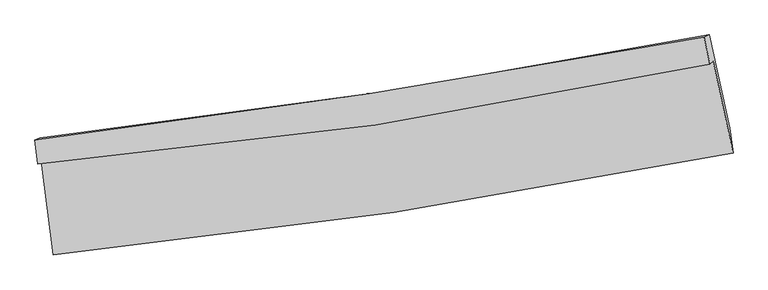
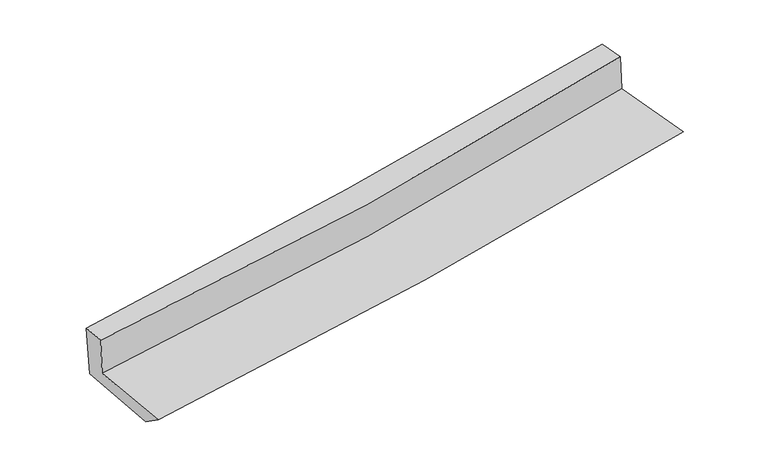
"""IFC4 building model written with IfcOpenShell, lengths in millimetres: proxy geometry."""

from ifc_helpers import new_model, si_unit, frame, origin, place, context, project, spatial, source, transform, mapped, element, save
from ifc_brep_helpers import plane_surface, spline_curve, spline_surface, advanced_brep


def generic_models_a4bd28aa(model_context):
    return source(origin(), model_context, "Body", "AdvancedBrep", [
        advanced_brep(
        [(-2286.9364312, -1836.5007094, 1714.2428713), (-2207.0798275, -2469.3803649, 1677.6699317), (2368.7568886, -1782.861718, 2085.6770277), (2235.1945439, -1164.0357379, 2117.1875215), (-2309.7974245, -1856.6294657, 2012.6459852), (2213.0957014, -1183.493432, 2405.6423289), (-2330.4900053, -1692.6365986, 2022.1228283), (2173.8806966, -1001.8010259, 2414.8940695), (-2297.685233, -1682.1263036, 1620.2046267), (2207.2409265, -985.240153, 2009.2281276), (-2216.6389041, -2315.5105327, 1570.3222901), (2345.097108, -1613.9778684, 1953.4993326)],
        [
            (0, 1),
            (1, 2, spline_curve(3, [(-2207.0798275, -2469.3803649, 1677.6699317), (-1440.518524947, -2393.103956401, 1747.047543834), (-676.719912082, -2297.91717123, 1815.666538913), (848.582498008, -2069.238510521, 1951.675358415), (1610.062790659, -1935.585746642, 2019.058728746), (2368.7568886, -1782.861718, 2085.6770277)], [4, 2, 4], [0.0, 7.56191285458519, 15.155925697698915])),
            (2, 3),
            (3, 0, spline_curve(3, [(2235.1945439, -1164.0357379, 2117.1875215), (1487.221997809, -1325.550173835, 2050.797656528), (735.585583815, -1462.412726668, 1983.951920464), (-771.82231675, -1686.35974981, 1849.633191282), (-1527.562894438, -1773.652187679, 1782.164043894), (-2286.9364312, -1836.5007094, 1714.2428713)], [4, 2, 4], [0.0, 7.594012843113726, 15.155925697698915])),
            (4, 0),
            (3, 5),
            (5, 4, spline_curve(3, [(2213.0957014, -1183.493432, 2405.6423289), (1465.505579525, -1344.671149501, 2334.260707317), (713.996190401, -1481.421858341, 2265.756920106), (-793.667915099, -1705.594466352, 2134.782416827), (-1549.789568154, -1793.222435076, 2072.287422681), (-2309.7974245, -1856.6294657, 2012.6459852)], [4, 2, 4], [0.0, 7.549443536623486, 15.066975479741807])),
            (6, 4),
            (5, 7),
            (7, 6, spline_curve(3, [(2173.8806966, -1001.8010259, 2414.8940695), (1425.17534731, -1139.639052546, 2345.001385955), (674.659606466, -1266.225848819, 2277.259329133), (-826.812566969, -1496.409455882, 2146.353725072), (-1577.753726471, -1600.101183813, 2083.172034719), (-2330.4900053, -1692.6365986, 2022.1228283)], [4, 2, 4], [0.0, 7.534417192617439, 15.036986308276258])),
            (8, 6),
            (7, 9),
            (9, 8, spline_curve(3, [(2207.2409265, -985.240153, 2009.2281276), (1460.029702788, -1132.527312143, 1938.816913253), (710.212957937, -1264.335021242, 1871.129776376), (-791.451075882, -1496.499817734, 1741.4782569), (-1543.276384165, -1596.987492271, 1679.490893494), (-2297.685233, -1682.1263036, 1620.2046267)], [4, 2, 4], [0.0, 7.5214226362924075, 15.011052123780464])),
            (10, 8),
            (9, 11),
            (11, 10, spline_curve(3, [(2345.097108, -1613.9778684, 1953.4993326), (1590.171946735, -1770.333450461, 1879.513248594), (831.752172886, -1907.054618584, 1810.53173323), (-688.855978917, -2140.733201219, 1682.848271733), (-1451.014875663, -2237.856254207, 1624.104106083), (-2216.6389041, -2315.5105327, 1570.3222901)], [4, 2, 4], [0.0, 7.569611887909449, 15.10722693043725])),
            (1, 10),
            (11, 2),
        ],
        [
            spline_surface(3, 3, [[(-2286.9364312, -1836.5007094, 1714.2428713), (-1527.562894432, -1773.65218762, 1782.164043836), (-771.822316812, -1686.359749907, 1849.633191271), (735.585583877, -1462.41272657, 1983.951920475), (1487.221997918, -1325.550173804, 2050.79765643), (2235.1945439, -1164.0357379, 2117.1875215)], [(-2260.317563307, -2047.460594569, 1702.051891441), (-1498.548104589, -1980.136110543, 1770.45854386), (-740.121515225, -1890.212223714, 1838.310973804), (773.251221954, -1664.687987899, 1973.193066476), (1528.168928808, -1528.895364762, 2040.2180139), (2279.715325458, -1370.31106461, 2106.684023577)], [(-2233.698695393, -2258.420479731, 1689.860911559), (-1469.533314724, -2186.620033457, 1758.753043862), (-708.420713704, -2094.064697455, 1826.988756327), (810.916859967, -1866.96324916, 1962.434212466), (1569.115859723, -1732.24055569, 2029.638371339), (2324.236107042, -1576.58639129, 2096.180525623)], [(-2207.0798275, -2469.3803649, 1677.6699317), (-1440.51852488, -2393.10395638, 1747.047543886), (-676.719912117, -2297.917171262, 1815.666538861), (848.582498044, -2069.238510489, 1951.675358467), (1610.062790612, -1935.585746648, 2019.058728809), (2368.7568886, -1782.861718, 2085.6770277)]], [4, 4], [4, 2, 4], [0.0, 2.030501491201566], [0.0, 7.56191285458519, 15.155925697698915]),
            spline_surface(3, 3, [[(-2309.7974245, -1856.6294657, 2012.6459852), (-1549.789568048, -1793.222435105, 2072.287422665), (-793.667915117, -1705.594466247, 2134.782416777), (713.996190419, -1481.421858446, 2265.756920157), (1465.505579426, -1344.671149395, 2334.260707253), (2213.0957014, -1183.493432, 2405.6423289)], [(-2302.177093392, -1849.919880275, 1913.178280581), (-1542.380676835, -1786.699019285, 1975.579629737), (-786.386049035, -1699.18289412, 2039.732674927), (721.192654885, -1475.08548114, 2171.821920249), (1472.744385602, -1338.297490858, 2239.773023652), (2220.461982245, -1177.00753396, 2309.49072644)], [(-2294.556762308, -1843.210294825, 1813.710575919), (-1534.971785645, -1780.175603439, 1878.871836765), (-779.104182893, -1692.771322034, 1944.68293312), (728.389119411, -1468.749103876, 2077.886920383), (1479.983191742, -1331.923832341, 2145.285340031), (2227.828263055, -1170.52163594, 2213.33912396)], [(-2286.9364312, -1836.5007094, 1714.2428713), (-1527.562894432, -1773.65218762, 1782.164043836), (-771.822316812, -1686.359749907, 1849.633191271), (735.585583877, -1462.41272657, 1983.951920475), (1487.221997918, -1325.550173804, 2050.79765643), (2235.1945439, -1164.0357379, 2117.1875215)]], [4, 4], [4, 2, 4], [0.0, 0.9348525107545318], [0.0, 7.51753194311832, 15.066975479741807]),
            spline_surface(3, 3, [[(-2330.4900053, -1692.6365986, 2022.1228283), (-1577.753726588, -1600.101183816, 2083.172034774), (-826.812566952, -1496.409455879, 2146.353725087), (674.65960645, -1266.225848822, 2277.259329118), (1425.175347411, -1139.639052479, 2345.001385888), (2173.8806966, -1001.8010259, 2414.8940695)], [(-2323.592478373, -1747.30088764, 2018.963880587), (-1568.432340415, -1664.474934253, 2079.543830725), (-815.764349678, -1566.137792685, 2142.496622322), (687.771801102, -1337.957852047, 2273.425192803), (1438.618758073, -1207.983084771, 2341.421159685), (2186.952364857, -1062.365161254, 2411.810155975)], [(-2316.694951427, -1801.96517666, 2015.804932913), (-1559.110954221, -1728.848684669, 2075.915626714), (-804.716132391, -1635.866129441, 2138.639519542), (700.883995767, -1409.689855222, 2269.591056472), (1452.062168764, -1276.327117103, 2337.840933456), (2200.024033143, -1122.929296646, 2408.726242425)], [(-2309.7974245, -1856.6294657, 2012.6459852), (-1549.789568048, -1793.222435105, 2072.287422665), (-793.667915117, -1705.594466247, 2134.782416777), (713.996190419, -1481.421858446, 2265.756920157), (1465.505579426, -1344.671149395, 2334.260707253), (2213.0957014, -1183.493432, 2405.6423289)]], [4, 4], [4, 2, 4], [0.0, 0.707305004950231], [0.0, 7.50256911565882, 15.036986308276258]),
            spline_surface(3, 3, [[(-2297.685233, -1682.1263036, 1620.2046267), (-1543.276384107, -1596.987492244, 1679.490893501), (-791.451075856, -1496.499817714, 1741.478256858), (710.21295791, -1264.335021262, 1871.129776418), (1460.029702803, -1132.527312264, 1938.816913349), (2207.2409265, -985.240153, 2009.2281276)], [(-2308.620157095, -1685.629735251, 1754.177360574), (-1554.768831595, -1598.025389419, 1814.051273932), (-803.238239542, -1496.46969709, 1876.436746264), (698.361840769, -1264.965297103, 2006.506293981), (1448.41158435, -1134.897892346, 2074.211737523), (2196.120849877, -990.760443977, 2144.450108227)], [(-2319.555081205, -1689.133166949, 1888.150094426), (-1566.261279099, -1599.063286642, 1948.611654343), (-815.025403266, -1496.439576502, 2011.395235681), (686.510723591, -1265.595572981, 2141.882811556), (1436.793465864, -1137.268472397, 2209.606561715), (2185.000773223, -996.280734923, 2279.672088873)], [(-2330.4900053, -1692.6365986, 2022.1228283), (-1577.753726588, -1600.101183816, 2083.172034774), (-826.812566952, -1496.409455879, 2146.353725087), (674.65960645, -1266.225848822, 2277.259329118), (1425.175347411, -1139.639052479, 2345.001385888), (2173.8806966, -1001.8010259, 2414.8940695)]], [4, 4], [4, 2, 4], [0.0, 1.3354771885394034], [0.0, 7.489629487488057, 15.011052123780464]),
            spline_surface(3, 3, [[(-2216.6389041, -2315.5105327, 1570.3222901), (-1451.01487569, -2237.856254234, 1624.104106167), (-688.855978905, -2140.733201114, 1682.848271739), (831.752172873, -1907.054618689, 1810.531733224), (1590.171946841, -1770.333450378, 1879.513248518), (2345.097108, -1613.9778684, 1953.4993326)], [(-2243.654347095, -2104.382456348, 1586.949735611), (-1481.768711857, -2024.233333585, 1642.56636859), (-723.054344549, -1925.988739968, 1702.391600097), (791.239101225, -1692.814752867, 1830.731080941), (1546.791198839, -1557.731404354, 1899.281136795), (2299.14504751, -1404.398629947, 1972.0755976)], [(-2270.669790005, -1893.254379952, 1603.577181189), (-1512.52254794, -1810.610412892, 1661.028631078), (-757.252710211, -1711.244278861, 1721.9349285), (750.726029559, -1478.574887084, 1850.930428701), (1503.410450805, -1345.129358288, 1919.049025073), (2253.19298699, -1194.819391453, 1990.6518626)], [(-2297.685233, -1682.1263036, 1620.2046267), (-1543.276384107, -1596.987492244, 1679.490893501), (-791.451075856, -1496.499817714, 1741.478256858), (710.21295791, -1264.335021262, 1871.129776418), (1460.029702803, -1132.527312264, 1938.816913349), (2207.2409265, -985.240153, 2009.2281276)]], [4, 4], [4, 2, 4], [0.0, 2.151841234449432], [0.0, 7.537615042527801, 15.10722693043725]),
            spline_surface(3, 3, [[(-2207.0798275, -2469.3803649, 1677.6699317), (-1440.51852488, -2393.10395638, 1747.047543886), (-676.719912117, -2297.917171262, 1815.666538861), (848.582498044, -2069.238510489, 1951.675358467), (1610.062790612, -1935.585746648, 2019.058728809), (2368.7568886, -1782.861718, 2085.6770277)], [(-2210.266186337, -2418.090420817, 1641.887384506), (-1444.017308454, -2341.354722315, 1706.066397985), (-680.765267728, -2245.522514547, 1771.393783178), (842.972389639, -2015.177213223, 1904.62748341), (1603.43250934, -1880.501647877, 1972.543568694), (2360.870295052, -1726.567101452, 2041.617795982)], [(-2213.452545263, -2366.800476783, 1606.104837294), (-1447.516092116, -2289.605488299, 1665.085252068), (-684.810623294, -2193.12785783, 1727.121027423), (837.362281279, -1961.115915955, 1857.579608281), (1596.802228113, -1825.417549149, 1926.028408634), (2352.983701548, -1670.272484948, 1997.558564318)], [(-2216.6389041, -2315.5105327, 1570.3222901), (-1451.01487569, -2237.856254234, 1624.104106167), (-688.855978905, -2140.733201114, 1682.848271739), (831.752172873, -1907.054618689, 1810.531733224), (1590.171946841, -1770.333450378, 1879.513248518), (2345.097108, -1613.9778684, 1953.4993326)]], [4, 4], [4, 2, 4], [0.0, 0.6919460370363157], [0.0, 7.595216033312034, 15.222673425686178]),
            plane_surface(frame((2257.2109775, -1288.5683225, 2164.3547346), z_axis=(0.9745723696815731, 0.20583491127073925, 0.08854764567965899), x_axis=(-0.08189129857104009, -0.040652939001141676, 0.9958118064016506))),
            plane_surface(frame((-2274.7713043, -1975.4639958, 1769.5347556), z_axis=(-0.989227371465039, -0.11997328524441685, -0.08387859304990657), x_axis=(-0.12498187600302113, 0.9905065202608263, 0.05723953172026298))),
        ],
        [
            (0, [[1, 2, 3, 4]]),
            (1, [[5, -4, 6, 7]]),
            (2, [[8, -7, 9, 10]]),
            (3, [[11, -10, 12, 13]]),
            (4, [[14, -13, 15, 16]]),
            (5, [[17, -16, 18, -2]]),
            (6, [[-12, -9, -6, -3, -18, -15]]),
            (7, [[-1, -5, -8, -11, -14, -17]]),
        ],
    ),
    ])


if __name__ == "__main__":
    model = new_model("IFC4")
    model_context = context("Model", 3, world=origin())
    ifc_project = project(units=[si_unit("LENGTHUNIT", "METRE", prefix="MILLI")], contexts=[model_context])
    site = spatial("IfcSite", under=ifc_project)
    building = spatial("IfcBuilding", under=site)
    placement = place(None, origin())
    generic_models_shape = generic_models_a4bd28aa(model_context)
    element("IfcBuildingElementProxy", 1, Name="Generic Models", at=placement, inside=building, context=model_context, shape_type="MappedRepresentation", body=[
        mapped(generic_models_shape, transform((0.0, 0.0, 0.0), x_axis=(1.0, 0.0, 0.0), y_axis=(0.0, 1.0, 0.0), z_axis=(0.0, 0.0, 1.0))),
    ])
    save(model, "model.ifc")
